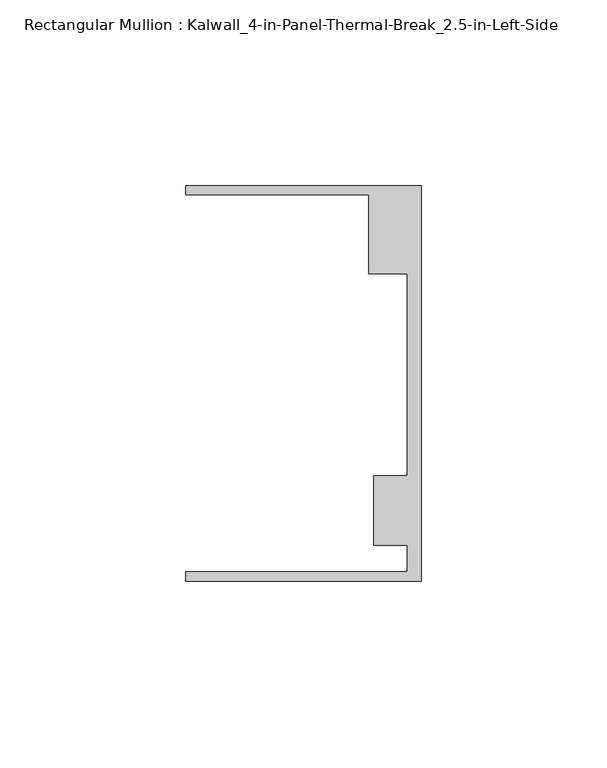
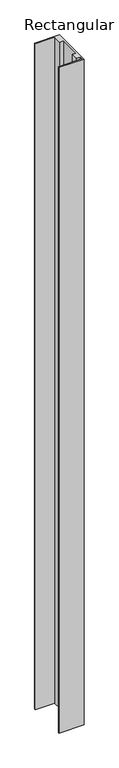
"""IFC4 building model written with IfcOpenShell, lengths in millimetres: member geometry, Rectangular Mullion : Kalwall_4-in-Panel-Thermal-Break_2.5-in-Left-Side."""

from ifc_helpers import new_model, si_unit, frame, origin, place, context, project, spatial, polyline, outline, extrude, source, transform, mapped, element, save


def rectangular_mullion_kalwall_4_in_panel_thermal_break_2_5_in_512284a2(model_context):
    return source(origin(), model_context, "Body", "SweptSolid", [
        extrude(outline(polyline([(0.0, -53.3026386), (-63.5, -53.3026386), (-63.5, -50.7626386), (-3.7084, -50.7626386), (-3.7084, -43.6138568), (-12.8272539, -43.6138568), (-12.8272539, -24.9129886), (-3.7084, -24.9129886), (-3.7084, 29.5648614), (-14.1732, 29.5648614), (-14.1732, 50.8373614), (-63.5, 50.8373614), (-63.5, 53.3773614), (0.0, 53.3773614), (0.0, -53.3026386)])), frame((0.0, 0.0, -1787.525), z_axis=(0.0, 0.0, 1.0), x_axis=(1.0, 0.0, 0.0)), (0.0, 0.0, 1.0), 1787.525),
    ])


if __name__ == "__main__":
    model = new_model("IFC4")
    model_context = context("Model", 3, world=origin())
    ifc_project = project(units=[si_unit("LENGTHUNIT", "METRE", prefix="MILLI")], contexts=[model_context])
    site = spatial("IfcSite", under=ifc_project)
    building = spatial("IfcBuilding", under=site)
    placement = place(None, origin())
    rectangular_mullion_kalwall_4_in_panel_thermal_break_2_5_in_shape = rectangular_mullion_kalwall_4_in_panel_thermal_break_2_5_in_512284a2(model_context)
    element("IfcMember", 1, ObjectType="Rectangular Mullion : Kalwall_4-in-Panel-Thermal-Break_2.5-in-Left-Side", at=placement, inside=building, context=model_context, shape_type="MappedRepresentation", body=[
        mapped(rectangular_mullion_kalwall_4_in_panel_thermal_break_2_5_in_shape, transform((0.0, 0.0, 0.0), x_axis=(1.0, 0.0, 0.0), y_axis=(0.0, 1.0, 0.0), z_axis=(0.0, 0.0, 1.0))),
    ])
    save(model, "model.ifc")
